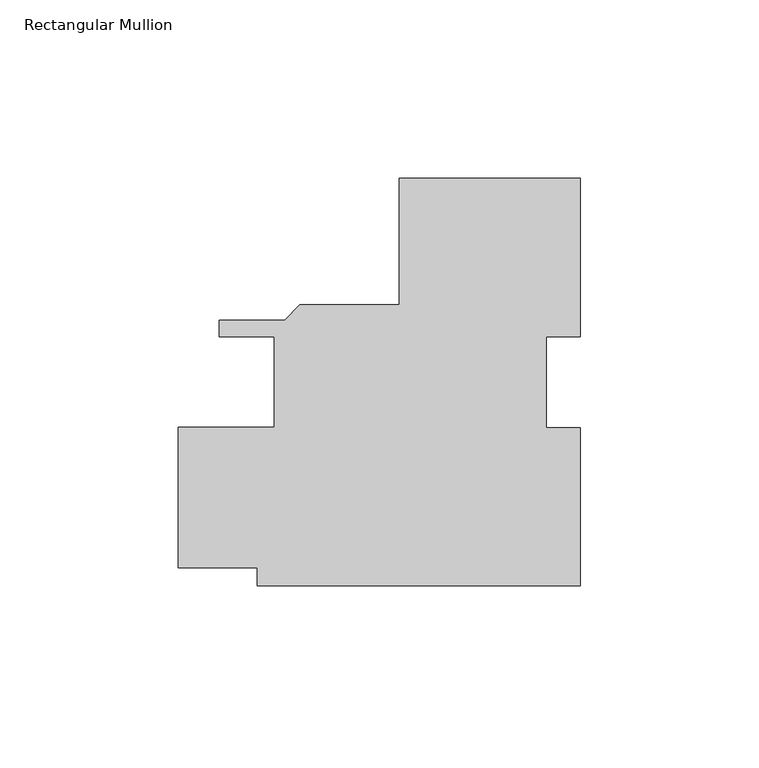
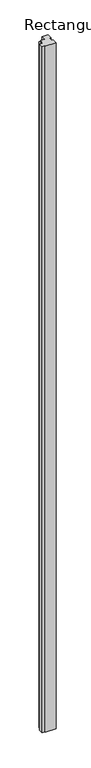
"""IFC4 building model written with IfcOpenShell, lengths in millimetres: member geometry, Rectangular Mullion."""

from ifc_helpers import new_model, si_unit, frame, origin, place, context, project, spatial, polyline, outline, extrude, source, transform, mapped, element, save


def rectangular_mullion_636196d3(model_context):
    return source(origin(), model_context, "Body", "SweptSolid", [
        extrude(outline(polyline([(25.4054077, -57.0889809), (-65.1006057, -57.0889809), (-65.1006057, -52.0090017), (-87.3070923, -52.0090017), (-87.3070923, -12.6390016), (-60.3381058, -12.6390016), (-60.3381058, 12.7609982), (-75.8207418, 12.7609982), (-75.8207418, 17.4599983), (-57.4567475, 17.4599983), (-53.1895475, 21.7271983), (-25.4, 21.7271983), (-25.4, 57.2110191), (25.4, 57.2110191), (25.4, 12.7936513), (15.8809498, 12.7936513), (15.8809498, -12.6940471), (25.4054077, -12.6940471), (25.4054077, -57.0889809)])), frame((0.0, 0.0, -6096.0), z_axis=(0.0, 0.0, 1.0), x_axis=(1.0, 0.0, 0.0)), (0.0, 0.0, 1.0), 6096.0),
    ])


if __name__ == "__main__":
    model = new_model("IFC4")
    model_context = context("Model", 3, world=origin())
    ifc_project = project(units=[si_unit("LENGTHUNIT", "METRE", prefix="MILLI")], contexts=[model_context])
    site = spatial("IfcSite", under=ifc_project)
    building = spatial("IfcBuilding", under=site)
    placement = place(None, origin())
    rectangular_mullion_shape = rectangular_mullion_636196d3(model_context)
    element("IfcMember", 1, ObjectType="Rectangular Mullion", at=placement, inside=building, context=model_context, shape_type="MappedRepresentation", body=[
        mapped(rectangular_mullion_shape, transform((0.0, 0.0, 0.0), x_axis=(1.0, 0.0, 0.0), y_axis=(0.0, 1.0, 0.0), z_axis=(0.0, 0.0, 1.0))),
    ])
    save(model, "model.ifc")
